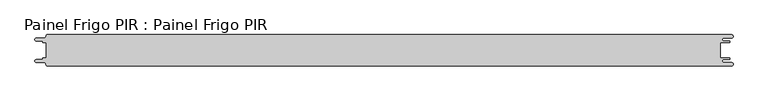
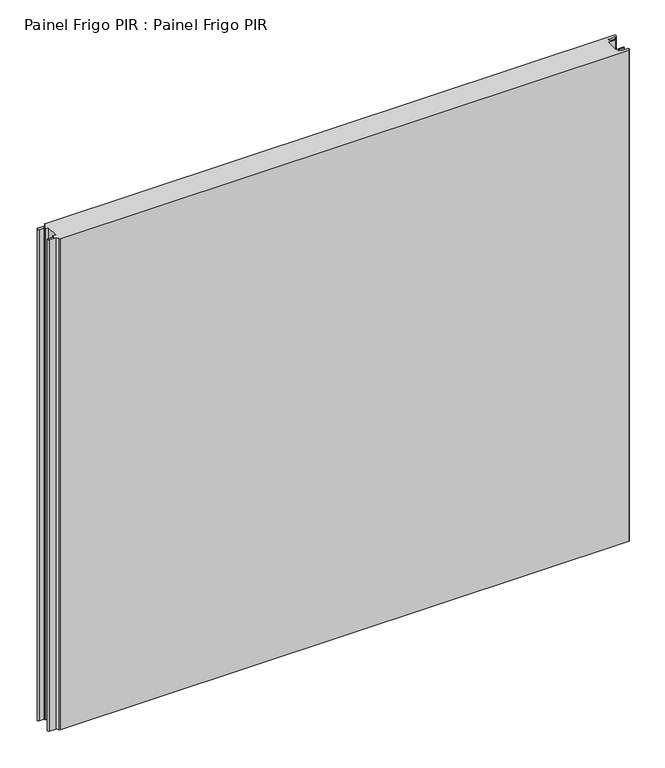
"""IFC4 building model written with IfcOpenShell, lengths in millimetres: proxy geometry, Painel Frigo PIR : Painel Frigo PIR."""

from ifc_helpers import new_model, si_unit, frame, origin, place, context, project, spatial, polyline, circle_curve, source, transform, mapped, element, save
from ifc_brep_helpers import plane_surface, cylinder_surface, revolved_surface, advanced_brep


def painel_frigo_pir_painel_frigo_pir_2b3f4b92(model_context):
    return source(origin(), model_context, "Body", "AdvancedBrep", [
        advanced_brep(
        [(-554.5874998, 12.3, 1000.0), (-549.2999612, 12.3, 1000.0), (-549.2999612, -12.2999995, 1000.0), (-554.5874998, -12.2999995, 1000.0), (-555.1875003, -12.9, 1000.0), (-555.1875003, -13.7085185, 1000.0), (-556.5875003, -15.1085185, 1000.0), (-565.565625, -15.1085185, 1000.0), (-565.565625, -19.5085185, 1000.0), (-553.55, -19.5085185, 1000.0), (-550.0, -23.0585185, 1000.0), (-548.05, -25.0, 1000.0), (546.89375, -25.0, 1000.0), (546.89375, -19.725, 1000.0), (534.45625, -19.725, 1000.0), (534.45625, -14.875, 1000.0), (543.1187503, -14.875, 1000.0), (543.1187503, -12.3, 1000.0), (529.2687503, -12.3, 1000.0), (529.2687503, 12.3, 1000.0), (543.1187503, 12.3, 1000.0), (543.1187503, 14.875, 1000.0), (534.45625, 14.875, 1000.0), (534.45625, 19.725, 1000.0), (546.89375, 19.725, 1000.0), (546.89375, 25.0, 1000.0), (-548.05, 25.0, 1000.0), (-550.0, 23.05, 1000.0), (-553.55, 19.5085185, 1000.0), (-565.565625, 19.5085185, 1000.0), (-565.565625, 15.1085187, 1000.0), (-556.5875001, 15.1085187, 1000.0), (-555.1874998, 13.7085184, 1000.0), (-555.1874998, 12.9, 1000.0), (-554.5874998, 12.3, 0.0), (-555.1874998, 12.9, 0.0), (-555.1874998, 13.7085184, 0.0), (-556.5875001, 15.1085187, 0.0), (-565.565625, 15.1085187, 0.0), (-565.565625, 19.5085185, 0.0), (-553.55, 19.5085185, 0.0), (-550.0, 23.0585185, 0.0), (-548.05, 25.0, 0.0), (546.89375, 25.0, 0.0), (546.89375, 19.725, 0.0), (534.45625, 19.725, 0.0), (534.45625, 14.875, 0.0), (543.1187503, 14.875, 0.0), (543.1187503, 12.3, 0.0), (529.2687503, 12.3, 0.0), (529.2687503, -12.3, 0.0), (543.1187503, -12.3, 0.0), (543.1187503, -14.875, 0.0), (534.45625, -14.875, 0.0), (534.45625, -19.725, 0.0), (546.89375, -19.725, 0.0), (546.89375, -25.0, 0.0), (-548.05, -25.0, 0.0), (-550.0, -23.05, 0.0), (-553.55, -19.5085185, 0.0), (-565.565625, -19.5085185, 0.0), (-565.565625, -15.1085185, 0.0), (-556.5875003, -15.1085185, 0.0), (-555.1875003, -13.7085185, 0.0), (-555.1875003, -12.9, 0.0), (-554.5874998, -12.2999995, 0.0), (-549.2999612, -12.2999995, 0.0), (-549.2999612, 12.3, 0.0)],
        [
            (0, 1),
            (1, 2),
            (2, 3),
            (3, 4, circle_curve(frame((-554.5874998, -12.9, 1000.0), z_axis=(0.0, 0.0, 1.0), x_axis=(1.0, 0.0, 0.0)), 0.6000005)),
            (4, 5),
            (5, 6, circle_curve(frame((-556.5875003, -13.7085185, 1000.0), z_axis=(0.0, 0.0, -1.0), x_axis=(1.0, 0.0, 0.0)), 1.4)),
            (6, 7),
            (7, 8, circle_curve(frame((-565.565625, -17.3085185, 1000.0), z_axis=(0.0, 0.0, 1.0), x_axis=(1.0, 0.0, 0.0)), 2.2)),
            (8, 9),
            (9, 10, circle_curve(frame((-553.55, -23.0585185, 1000.0), z_axis=(0.0, 0.0, -1.0), x_axis=(1.0, 0.0, 0.0)), 3.55)),
            (10, 11, circle_curve(frame((-548.05, -23.05, 1000.0), z_axis=(0.0, 0.0, 1.0), x_axis=(1.0, 0.0, 0.0)), 1.95)),
            (11, 12),
            (12, 13, circle_curve(frame((546.89375, -22.3625, 1000.0), z_axis=(0.0, 0.0, 1.0), x_axis=(1.0, 0.0, 0.0)), 2.6375)),
            (13, 14),
            (14, 15, circle_curve(frame((534.45625, -17.3, 1000.0), z_axis=(0.0, 0.0, -1.0), x_axis=(1.0, 0.0, 0.0)), 2.425)),
            (15, 16),
            (16, 17, circle_curve(frame((543.1187503, -13.5875, 1000.0), z_axis=(0.0, 0.0, 1.0), x_axis=(1.0, 0.0, 0.0)), 1.2875)),
            (17, 18),
            (18, 19),
            (19, 20),
            (20, 21, circle_curve(frame((543.1187503, 13.5875, 1000.0), z_axis=(0.0, 0.0, 1.0), x_axis=(1.0, 0.0, 0.0)), 1.2875)),
            (21, 22),
            (22, 23, circle_curve(frame((534.45625, 17.3, 1000.0), z_axis=(0.0, 0.0, -1.0), x_axis=(1.0, 0.0, 0.0)), 2.425)),
            (23, 24),
            (24, 25, circle_curve(frame((546.89375, 22.3625, 1000.0), z_axis=(0.0, 0.0, 1.0), x_axis=(1.0, 0.0, 0.0)), 2.6375)),
            (25, 26),
            (26, 27, circle_curve(frame((-548.05, 23.05, 1000.0), z_axis=(0.0, 0.0, 1.0), x_axis=(1.0, 0.0, 0.0)), 1.95)),
            (27, 28, circle_curve(frame((-553.55, 23.0585185, 1000.0), z_axis=(0.0, 0.0, -1.0), x_axis=(1.0, 0.0, 0.0)), 3.55)),
            (28, 29),
            (29, 30, circle_curve(frame((-565.565625, 17.3085186, 1000.0), z_axis=(0.0, 0.0, 1.0), x_axis=(1.0, 0.0, 0.0)), 2.1999999)),
            (30, 31),
            (31, 32, circle_curve(frame((-556.5875001, 13.7085184, 1000.0), z_axis=(0.0, 0.0, -1.0), x_axis=(1.0, 0.0, 0.0)), 1.4000003)),
            (32, 33),
            (33, 0, circle_curve(frame((-554.5874998, 12.9, 1000.0), z_axis=(0.0, 0.0, 1.0), x_axis=(1.0, 0.0, 0.0)), 0.6)),
            (34, 35, circle_curve(frame((-554.5874998, 12.9, 0.0), z_axis=(0.0, 0.0, -1.0), x_axis=(1.0, 0.0, 0.0)), 0.6)),
            (35, 36),
            (36, 37, circle_curve(frame((-556.5875001, 13.7085184, 0.0), z_axis=(0.0, 0.0, 1.0), x_axis=(1.0, 0.0, 0.0)), 1.4000003)),
            (37, 38),
            (38, 39, circle_curve(frame((-565.565625, 17.3085186, 0.0), z_axis=(0.0, 0.0, -1.0), x_axis=(1.0, 0.0, 0.0)), 2.1999999)),
            (39, 40),
            (40, 41, circle_curve(frame((-553.55, 23.0585185, 0.0), z_axis=(0.0, 0.0, 1.0), x_axis=(1.0, 0.0, 0.0)), 3.55)),
            (41, 42, circle_curve(frame((-548.05, 23.05, 0.0), z_axis=(0.0, 0.0, -1.0), x_axis=(1.0, 0.0, 0.0)), 1.95)),
            (42, 43),
            (43, 44, circle_curve(frame((546.89375, 22.3625, 0.0), z_axis=(0.0, 0.0, -1.0), x_axis=(1.0, 0.0, 0.0)), 2.6375)),
            (44, 45),
            (45, 46, circle_curve(frame((534.45625, 17.3, 0.0), z_axis=(0.0, 0.0, 1.0), x_axis=(1.0, 0.0, 0.0)), 2.425)),
            (46, 47),
            (47, 48, circle_curve(frame((543.1187503, 13.5875, 0.0), z_axis=(0.0, 0.0, -1.0), x_axis=(1.0, 0.0, 0.0)), 1.2875)),
            (48, 49),
            (49, 50),
            (50, 51),
            (51, 52, circle_curve(frame((543.1187503, -13.5875, 0.0), z_axis=(0.0, 0.0, -1.0), x_axis=(1.0, 0.0, 0.0)), 1.2875)),
            (52, 53),
            (53, 54, circle_curve(frame((534.45625, -17.3, 0.0), z_axis=(0.0, 0.0, 1.0), x_axis=(1.0, 0.0, 0.0)), 2.425)),
            (54, 55),
            (55, 56, circle_curve(frame((546.89375, -22.3625, 0.0), z_axis=(0.0, 0.0, -1.0), x_axis=(1.0, 0.0, 0.0)), 2.6375)),
            (56, 57),
            (57, 58, circle_curve(frame((-548.05, -23.05, 0.0), z_axis=(0.0, 0.0, -1.0), x_axis=(1.0, 0.0, 0.0)), 1.95)),
            (58, 59, circle_curve(frame((-553.55, -23.0585185, 0.0), z_axis=(0.0, 0.0, 1.0), x_axis=(1.0, 0.0, 0.0)), 3.55)),
            (59, 60),
            (60, 61, circle_curve(frame((-565.565625, -17.3085185, 0.0), z_axis=(0.0, 0.0, -1.0), x_axis=(1.0, 0.0, 0.0)), 2.2)),
            (61, 62),
            (62, 63, circle_curve(frame((-556.5875003, -13.7085185, 0.0), z_axis=(0.0, 0.0, 1.0), x_axis=(1.0, 0.0, 0.0)), 1.4)),
            (63, 64),
            (64, 65, circle_curve(frame((-554.5874998, -12.9, 0.0), z_axis=(0.0, 0.0, -1.0), x_axis=(1.0, 0.0, 0.0)), 0.6000005)),
            (65, 66),
            (66, 67),
            (67, 34),
            (0, 34),
            (67, 1),
            (66, 2),
            (65, 3),
            (64, 4),
            (63, 5),
            (62, 6),
            (61, 7),
            (60, 8),
            (59, 9),
            (58, 10),
            (57, 11),
            (56, 12),
            (18, 50),
            (49, 19),
            (48, 20),
            (47, 21),
            (46, 22),
            (45, 23),
            (44, 24),
            (43, 25),
            (42, 26),
            (41, 27),
            (40, 28),
            (39, 29),
            (38, 30),
            (37, 31),
            (36, 32),
            (35, 33),
            (55, 13),
            (54, 14),
            (53, 15),
            (52, 16),
            (51, 17),
        ],
        [
            plane_surface(frame((-549.2999612, 12.3, 1000.0), z_axis=(0.0, 0.0, 1.0), x_axis=(1.0, 0.0, 0.0))),
            plane_surface(frame((-549.2999612, 12.3, 0.0), z_axis=(0.0, 0.0, -1.0), x_axis=(-1.0, 0.0, 0.0))),
            plane_surface(frame((-554.5874998, 12.3, 1000.0), z_axis=(0.0, -1.0, 0.0), x_axis=(0.0, 0.0, -1.0))),
            plane_surface(frame((-549.2999612, 12.3, 1000.0), z_axis=(-1.0, 0.0, 0.0), x_axis=(0.0, 0.0, -1.0))),
            plane_surface(frame((-549.2999612, -12.2999995, 1000.0), z_axis=(0.0, 1.0, 0.0), x_axis=(0.0, 0.0, -1.0))),
            cylinder_surface(frame((-554.5874998, -12.9, 0.0), z_axis=(0.0, 0.0, 1.0), x_axis=(1.0, 0.0, 0.0)), 0.6000005),
            plane_surface(frame((-555.1875003, -12.9, 1000.0), z_axis=(-1.0, 1.7578608662329016e-12, 0.0), x_axis=(0.0, 0.0, -1.0))),
            revolved_surface(polyline([(-555.1875003, -13.7085185, 0.0), (-555.1875003, -13.7085185, 1000.0)]), (-556.5875003, -13.7085185, 0.0), (0.0, 0.0, -1.0)),
            plane_surface(frame((-556.5875003, -15.1085185, 1000.0), z_axis=(0.0, 1.0, 0.0), x_axis=(0.0, 0.0, -1.0))),
            cylinder_surface(frame((-565.565625, -17.3085185, 0.0), z_axis=(0.0, 0.0, 1.0), x_axis=(1.0, 0.0, 0.0)), 2.2),
            plane_surface(frame((-565.565625, -19.5085185, 1000.0), z_axis=(0.0, -1.0, 0.0), x_axis=(0.0, 0.0, -1.0))),
            revolved_surface(polyline([(-550.0, -23.0585185, 0.0), (-550.0, -23.0585185, 1000.0)]), (-553.55, -23.0585185, 0.0), (0.0, 0.0, -1.0)),
            cylinder_surface(frame((-548.05, -23.05, 0.0), z_axis=(0.0, 0.0, 1.0), x_axis=(1.0, 0.0, 0.0)), 1.95),
            plane_surface(frame((-548.05, -25.0, 1000.0), z_axis=(0.0, -1.0, 0.0), x_axis=(0.0, 0.0, -1.0))),
            plane_surface(frame((529.2687503, -12.3, 1000.0), z_axis=(1.0, 0.0, 0.0), x_axis=(0.0, 0.0, -1.0))),
            plane_surface(frame((529.2687503, 12.3, 1000.0), z_axis=(0.0, -1.0, 0.0), x_axis=(0.0, 0.0, -1.0))),
            cylinder_surface(frame((543.1187503, 13.5875, 0.0), z_axis=(0.0, 0.0, 1.0), x_axis=(1.0, 0.0, 0.0)), 1.2875),
            plane_surface(frame((543.1187503, 14.875, 1000.0), z_axis=(0.0, 1.0, 0.0), x_axis=(0.0, 0.0, -1.0))),
            revolved_surface(polyline([(536.8812499999999, 17.3, 0.0), (536.8812499999999, 17.3, 1000.0)]), (534.45625, 17.3, 0.0), (0.0, 0.0, -1.0)),
            plane_surface(frame((534.45625, 19.725, 1000.0), z_axis=(0.0, -1.0, 0.0), x_axis=(0.0, 0.0, -1.0))),
            cylinder_surface(frame((546.89375, 22.3625, 0.0), z_axis=(0.0, 0.0, 1.0), x_axis=(1.0, 0.0, 0.0)), 2.6375),
            plane_surface(frame((546.89375, 25.0, 1000.0), z_axis=(0.0, 1.0, 0.0), x_axis=(0.0, 0.0, -1.0))),
            cylinder_surface(frame((-548.05, 23.05, 0.0), z_axis=(0.0, 0.0, 1.0), x_axis=(1.0, 0.0, 0.0)), 1.95),
            revolved_surface(polyline([(-550.0, 23.0585185, 0.0), (-550.0, 23.0585185, 1000.0)]), (-553.55, 23.0585185, 0.0), (0.0, 0.0, -1.0)),
            plane_surface(frame((-553.55, 19.5085185, 1000.0), z_axis=(0.0, 1.0, 0.0), x_axis=(0.0, 0.0, -1.0))),
            cylinder_surface(frame((-565.565625, 17.3085186, 0.0), z_axis=(0.0, 0.0, 1.0), x_axis=(1.0, 0.0, 0.0)), 2.1999999),
            plane_surface(frame((-565.565625, 15.1085187, 1000.0), z_axis=(0.0, -1.0, 0.0), x_axis=(0.0, 0.0, -1.0))),
            revolved_surface(polyline([(-555.1874998000001, 13.7085184, 0.0), (-555.1874998000001, 13.7085184, 1000.0)]), (-556.5875001, 13.7085184, 0.0), (0.0, 0.0, -1.0)),
            plane_surface(frame((-555.1874998, 13.7085184, 1000.0), z_axis=(-1.0, 0.0, 0.0), x_axis=(0.0, 0.0, -1.0))),
            cylinder_surface(frame((-554.5874998, 12.9, 0.0), z_axis=(0.0, 0.0, 1.0), x_axis=(1.0, 0.0, 0.0)), 0.6),
            cylinder_surface(frame((546.89375, -22.3625, 0.0), z_axis=(0.0, 0.0, 1.0), x_axis=(1.0, 0.0, 0.0)), 2.6375),
            plane_surface(frame((546.89375, -19.725, 1000.0), z_axis=(0.0, 1.0, 0.0), x_axis=(0.0, 0.0, -1.0))),
            revolved_surface(polyline([(536.8812499999999, -17.3, 0.0), (536.8812499999999, -17.3, 1000.0)]), (534.45625, -17.3, 0.0), (0.0, 0.0, -1.0)),
            plane_surface(frame((534.45625, -14.875, 1000.0), z_axis=(0.0, -1.0, 0.0), x_axis=(0.0, 0.0, -1.0))),
            cylinder_surface(frame((543.1187503, -13.5875, 0.0), z_axis=(0.0, 0.0, 1.0), x_axis=(1.0, 0.0, 0.0)), 1.2875),
            plane_surface(frame((543.1187503, -12.3, 1000.0), z_axis=(0.0, 1.0, 0.0), x_axis=(0.0, 0.0, -1.0))),
        ],
        [
            (0, [[1, 2, 3, 4, 5, 6, 7, 8, 9, 10, 11, 12, 13, 14, 15, 16, 17, 18, 19, 20, 21, 22, 23, 24, 25, 26, 27, 28, 29, 30, 31, 32, 33, 34]]),
            (1, [[35, 36, 37, 38, 39, 40, 41, 42, 43, 44, 45, 46, 47, 48, 49, 50, 51, 52, 53, 54, 55, 56, 57, 58, 59, 60, 61, 62, 63, 64, 65, 66, 67, 68]]),
            (2, [[-1, 69, -68, 70]]),
            (3, [[-2, -70, -67, 71]]),
            (4, [[-3, -71, -66, 72]]),
            (5, [[-4, -72, -65, 73]]),
            (6, [[-5, -73, -64, 74]]),
            (7, [[-6, -74, -63, 75]]),
            (8, [[-7, -75, -62, 76]]),
            (9, [[-8, -76, -61, 77]]),
            (10, [[-9, -77, -60, 78]]),
            (11, [[-10, -78, -59, 79]]),
            (12, [[-11, -79, -58, 80]]),
            (13, [[-12, -80, -57, 81]]),
            (14, [[-19, 82, -50, 83]]),
            (15, [[-20, -83, -49, 84]]),
            (16, [[-21, -84, -48, 85]]),
            (17, [[-22, -85, -47, 86]]),
            (18, [[-23, -86, -46, 87]]),
            (19, [[-24, -87, -45, 88]]),
            (20, [[-25, -88, -44, 89]]),
            (21, [[-26, -89, -43, 90]]),
            (22, [[-27, -90, -42, 91]]),
            (23, [[-28, -91, -41, 92]]),
            (24, [[-29, -92, -40, 93]]),
            (25, [[-30, -93, -39, 94]]),
            (26, [[-31, -94, -38, 95]]),
            (27, [[-32, -95, -37, 96]]),
            (28, [[-33, -96, -36, 97]]),
            (29, [[-34, -97, -35, -69]]),
            (30, [[-13, -81, -56, 98]]),
            (31, [[-14, -98, -55, 99]]),
            (32, [[-15, -99, -54, 100]]),
            (33, [[-16, -100, -53, 101]]),
            (34, [[-17, -101, -52, 102]]),
            (35, [[-18, -102, -51, -82]]),
        ],
    ),
    ])


if __name__ == "__main__":
    model = new_model("IFC4")
    model_context = context("Model", 3, world=origin())
    ifc_project = project(units=[si_unit("LENGTHUNIT", "METRE", prefix="MILLI")], contexts=[model_context])
    site = spatial("IfcSite", under=ifc_project)
    building = spatial("IfcBuilding", under=site)
    placement = place(None, origin())
    painel_frigo_pir_painel_frigo_pir_shape = painel_frigo_pir_painel_frigo_pir_2b3f4b92(model_context)
    element("IfcBuildingElementProxy", 1, Name="Painel Frigo PIR : Painel Frigo PIR", ObjectType="Painel Frigo PIR : Painel Frigo PIR", at=placement, inside=building, context=model_context, shape_type="MappedRepresentation", body=[
        mapped(painel_frigo_pir_painel_frigo_pir_shape, transform((0.0, 0.0, 0.0), x_axis=(1.0, 0.0, 0.0), y_axis=(0.0, 1.0, 0.0), z_axis=(0.0, 0.0, 1.0))),
    ])
    save(model, "model.ifc")
